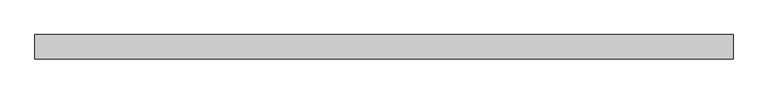
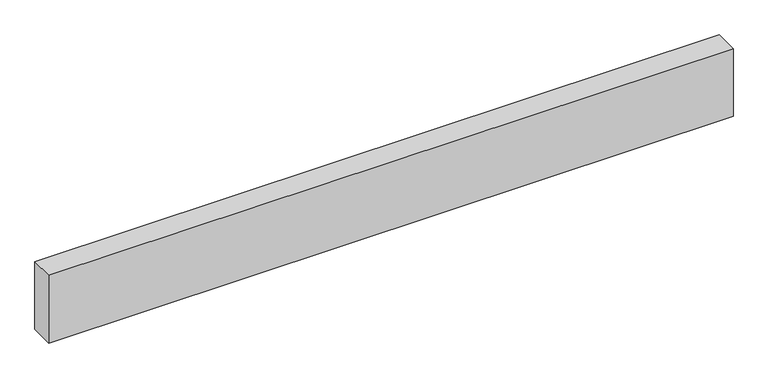
"""IFC4 building model written with IfcOpenShell, lengths in millimetres: proxy geometry."""

from ifc_helpers import new_model, si_unit, origin, origin_with_axes, place, context, project, spatial, polyline, outline, extrude, source, transform, mapped, element, save


def generic_models_e1aaa148(model_context):
    return source(origin(), model_context, "Body", "SweptSolid", [
        extrude(outline(polyline([(2864.1203974, 0.0), (2864.1203974, -100.0), (0.0, -100.0), (0.0, 0.0), (2864.1203974, 0.0)])), origin_with_axes(), (0.0, 0.0, 1.0), 300.0),
    ])


if __name__ == "__main__":
    model = new_model("IFC4")
    model_context = context("Model", 3, world=origin())
    ifc_project = project(units=[si_unit("LENGTHUNIT", "METRE", prefix="MILLI")], contexts=[model_context])
    site = spatial("IfcSite", under=ifc_project)
    building = spatial("IfcBuilding", under=site)
    placement = place(None, origin())
    generic_models_shape = generic_models_e1aaa148(model_context)
    element("IfcBuildingElementProxy", 1, Name="Generic Models", at=placement, inside=building, context=model_context, shape_type="MappedRepresentation", body=[
        mapped(generic_models_shape, transform((0.0, 0.0, 0.0), x_axis=(1.0, 0.0, 0.0), y_axis=(0.0, 1.0, 0.0), z_axis=(0.0, 0.0, 1.0))),
    ])
    save(model, "model.ifc")
